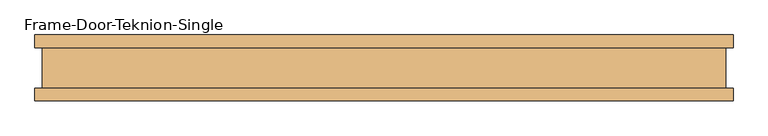
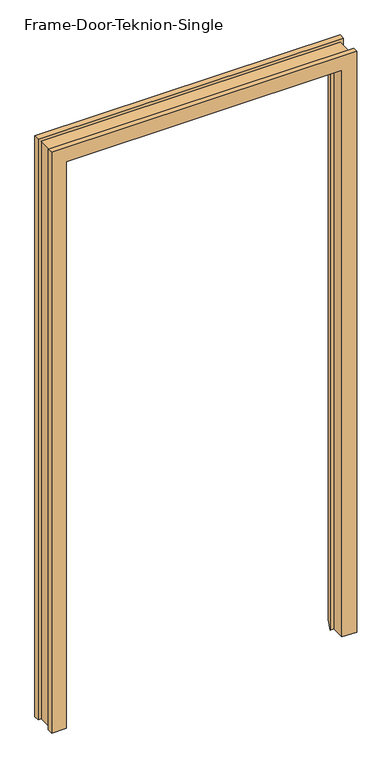
"""IFC4 building model written with IfcOpenShell, lengths in millimetres: door geometry, Frame-Door-Teknion-Single."""

from ifc_helpers import new_model, si_unit, origin, place, context, project, spatial, faceted_brep, source, transform, mapped, element, save


def frame_door_teknion_single_db31a861(model_context):
    return source(origin(), model_context, "Body", "Brep", [
        faceted_brep([(-478.9807565, -50.038, 0.0), (-530.4157565, -50.038, 0.0), (-530.4157565, -30.7719997, 0.0), (-519.4101562, -30.7719997, 0.0), (-519.4101562, 30.7719997, 0.0), (-530.4157565, 30.7719997, 0.0), (-530.4157565, 50.038, 0.0), (-488.5054518, 50.038, 0.0), (-466.0583342, -0.7133435, 0.0), (-478.9807565, -0.7133435, 0.0), (-478.9807565, -0.7133435, 2082.165), (-478.9807565, -50.038, 2082.165), (-466.0583342, -0.7133435, 2069.2425776), (466.0583342, -0.7133435, 2069.2425776), (466.0583342, -0.7133435, 0.0), (478.9807565, -0.7133435, 0.0), (478.9807565, -0.7133435, 2082.165), (-488.5054518, 50.038, 2091.6896953), (-530.4157565, 50.038, 2133.6), (530.4157565, 50.038, 2133.6), (530.4157565, 50.038, 0.0), (488.5054518, 50.038, 0.0), (488.5054518, 50.038, 2091.6896953), (-530.4157565, 30.7719997, 2133.6), (-519.4101562, 30.7719997, 2122.5943997), (519.4101563, 30.7719997, 2122.5943997), (519.4101563, 30.7719997, 0.0), (530.4157565, 30.7719997, 0.0), (530.4157565, 30.7719997, 2133.6), (-519.4101562, -30.7719997, 2122.5943997), (-530.4157565, -30.7719997, 2133.6), (530.4157565, -30.7719997, 2133.6), (530.4157565, -30.7719997, 0.0), (519.4101563, -30.7719997, 0.0), (519.4101563, -30.7719997, 2122.5943997), (-530.4157565, -50.038, 2133.6), (478.9807565, -50.038, 2082.165), (478.9807565, -50.038, 0.0), (530.4157565, -50.038, 0.0), (530.4157565, -50.038, 2133.6)], [[[0, 1, 2, 3, 4, 5, 6, 7, 8, 9]], [[9, 10, 11, 0]], [[8, 12, 13, 14, 15, 16, 10, 9]], [[7, 17, 12, 8]], [[6, 18, 19, 20, 21, 22, 17, 7]], [[5, 23, 18, 6]], [[4, 24, 25, 26, 27, 28, 23, 5]], [[3, 29, 24, 4]], [[2, 30, 31, 32, 33, 34, 29, 3]], [[1, 35, 30, 2]], [[0, 11, 36, 37, 38, 39, 35, 1]], [[37, 15, 14, 21, 20, 27, 26, 33, 32, 38]], [[16, 15, 37, 36]], [[22, 21, 14, 13]], [[28, 27, 20, 19]], [[34, 33, 26, 25]], [[39, 38, 32, 31]], [[10, 16, 36, 11]], [[17, 22, 13, 12]], [[23, 28, 19, 18]], [[29, 34, 25, 24]], [[35, 39, 31, 30]]]),
    ])


if __name__ == "__main__":
    model = new_model("IFC4")
    model_context = context("Model", 3, world=origin())
    ifc_project = project(units=[si_unit("LENGTHUNIT", "METRE", prefix="MILLI")], contexts=[model_context])
    site = spatial("IfcSite", under=ifc_project)
    building = spatial("IfcBuilding", under=site)
    placement = place(None, origin())
    frame_door_teknion_single_shape = frame_door_teknion_single_db31a861(model_context)
    element("IfcDoor", 1, ObjectType="Frame-Door-Teknion-Single", at=placement, inside=building, context=model_context, shape_type="MappedRepresentation", body=[
        mapped(frame_door_teknion_single_shape, transform((0.0, 0.0, 0.0), x_axis=(1.0, 0.0, 0.0), y_axis=(0.0, 1.0, 0.0), z_axis=(0.0, 0.0, 1.0))),
    ])
    save(model, "model.ifc")
